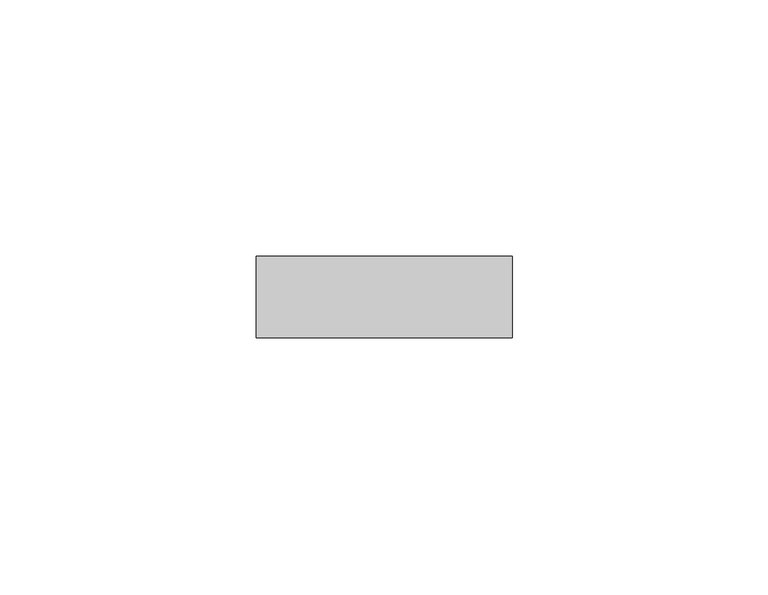
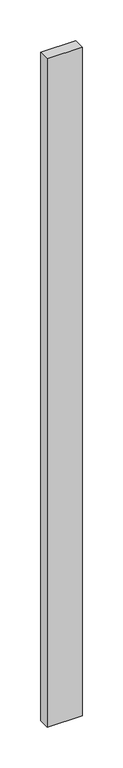
"""IFC4 building model written with IfcOpenShell, lengths in millimetres: proxy geometry."""

from ifc_helpers import new_model, si_unit, frame, origin, place, context, project, spatial, polyline, outline, extrude, source, transform, mapped, element, save


def generic_models_fb1fa3c5(model_context):
    return source(origin(), model_context, "Body", "SweptSolid", [
        extrude(outline(polyline([(55.5018515, -62.4360182), (5.5018515, -62.4360182), (5.5018515, -46.4360182), (55.5018515, -46.4360182), (55.5018515, -62.4360182)])), frame((0.0, 0.0, 1747.5395534), z_axis=(0.0, 0.0, 1.0), x_axis=(1.0, 0.0, 0.0)), (0.0, 0.0, 1.0), 1004.9208931),
    ])


if __name__ == "__main__":
    model = new_model("IFC4")
    model_context = context("Model", 3, world=origin())
    ifc_project = project(units=[si_unit("LENGTHUNIT", "METRE", prefix="MILLI")], contexts=[model_context])
    site = spatial("IfcSite", under=ifc_project)
    building = spatial("IfcBuilding", under=site)
    placement = place(None, origin())
    generic_models_shape = generic_models_fb1fa3c5(model_context)
    element("IfcBuildingElementProxy", 1, Name="Generic Models", at=placement, inside=building, context=model_context, shape_type="MappedRepresentation", body=[
        mapped(generic_models_shape, transform((0.0, 0.0, 0.0), x_axis=(1.0, 0.0, 0.0), y_axis=(0.0, 1.0, 0.0), z_axis=(0.0, 0.0, 1.0))),
    ])
    save(model, "model.ifc")
